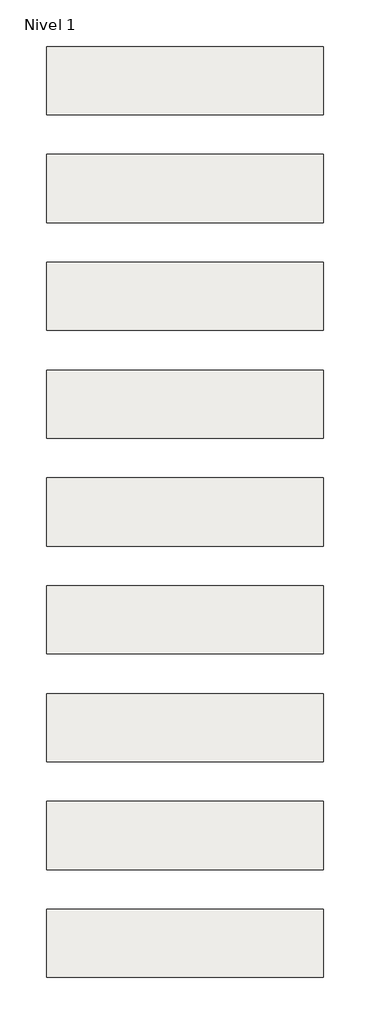
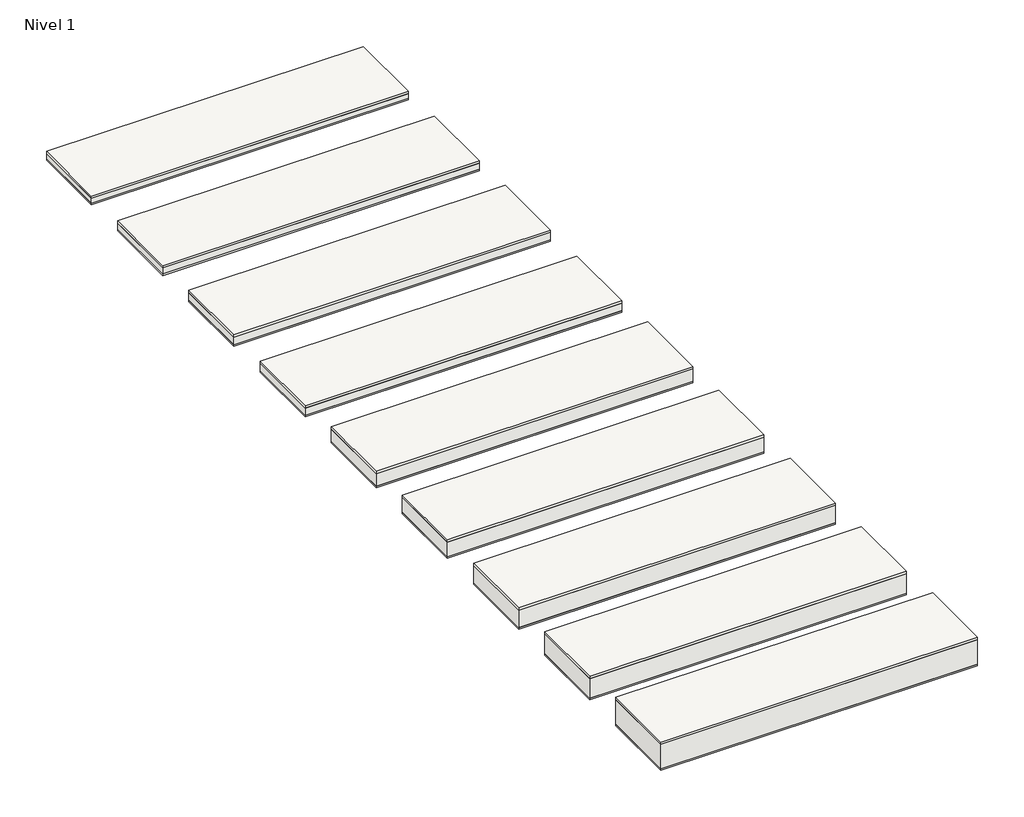
# One storey: 9 roofs.
"""IFC4 building model written with IfcOpenShell, lengths in millimetres."""

from ifc_helpers import new_model, si_unit, frame, origin, origin_with_axes, place, context, project, spatial, polyline, outline, extrude, element, save

model = new_model("IFC4")

# Units and contexts
model_context = context("Model", 3, world=origin())
ifc_project = project(units=[si_unit("LENGTHUNIT", "METRE", prefix="MILLI")], contexts=[model_context])

# Site, building, storey
site = spatial("IfcSite", under=ifc_project)
building = spatial("IfcBuilding", under=site)
storey = spatial("IfcBuildingStorey", under=building, Name="Nivel 1", Elevation=0.0)

# Roofs
placement = place(None, origin())
element("IfcRoof", 1, at=placement, inside=storey, context=model_context, shape_type="SweptSolid", body=[
    extrude(outline(polyline([(-3824.6699095, -6894.5376473), (-1384.6699095, -6894.5376473), (-1384.6699095, -7494.5376473), (-3824.6699095, -7494.5376473), (-3824.6699095, -6894.5376473)])), frame((0.0, 0.0, 62.5), z_axis=(0.0, 0.0, 1.0), x_axis=(1.0, 0.0, 0.0)), (0.0, 0.0, 1.0), 19.0),
    extrude(outline(polyline([(-3824.6699095, -6894.5376473), (-1384.6699095, -6894.5376473), (-1384.6699095, -7494.5376473), (-3824.6699095, -7494.5376473), (-3824.6699095, -6894.5376473)])), frame((0.0, 0.0, 12.5), z_axis=(0.0, 0.0, 1.0), x_axis=(1.0, 0.0, 0.0)), (0.0, 0.0, 1.0), 50.0),
    extrude(outline(polyline([(-3824.6699095, -6894.5376473), (-1384.6699095, -6894.5376473), (-1384.6699095, -7494.5376473), (-3824.6699095, -7494.5376473), (-3824.6699095, -6894.5376473)])), origin_with_axes(), (0.0, 0.0, 1.0), 12.5),
])
element("IfcRoof", 2, at=placement, inside=storey, context=model_context, shape_type="SweptSolid", body=[
    extrude(outline(polyline([(-3824.6699095, -5944.5376473), (-1384.6699095, -5944.5376473), (-1384.6699095, -6544.5376473), (-3824.6699095, -6544.5376473), (-3824.6699095, -5944.5376473)])), frame((0.0, 0.0, 52.5), z_axis=(0.0, 0.0, 1.0), x_axis=(1.0, 0.0, 0.0)), (0.0, 0.0, 1.0), 19.0),
    extrude(outline(polyline([(-3824.6699095, -5944.5376473), (-1384.6699095, -5944.5376473), (-1384.6699095, -6544.5376473), (-3824.6699095, -6544.5376473), (-3824.6699095, -5944.5376473)])), frame((0.0, 0.0, 12.5), z_axis=(0.0, 0.0, 1.0), x_axis=(1.0, 0.0, 0.0)), (0.0, 0.0, 1.0), 40.0),
    extrude(outline(polyline([(-3824.6699095, -5944.5376473), (-1384.6699095, -5944.5376473), (-1384.6699095, -6544.5376473), (-3824.6699095, -6544.5376473), (-3824.6699095, -5944.5376473)])), origin_with_axes(), (0.0, 0.0, 1.0), 12.5),
])
element("IfcRoof", 3, at=placement, inside=storey, context=model_context, shape_type="SweptSolid", body=[
    extrude(outline(polyline([(-3824.6699095, -7844.5376473), (-1384.6699095, -7844.5376473), (-1384.6699095, -8444.5376473), (-3824.6699095, -8444.5376473), (-3824.6699095, -7844.5376473)])), frame((0.0, 0.0, 72.5), z_axis=(0.0, 0.0, 1.0), x_axis=(1.0, 0.0, 0.0)), (0.0, 0.0, 1.0), 19.0),
    extrude(outline(polyline([(-3824.6699095, -7844.5376473), (-1384.6699095, -7844.5376473), (-1384.6699095, -8444.5376473), (-3824.6699095, -8444.5376473), (-3824.6699095, -7844.5376473)])), frame((0.0, 0.0, 12.5), z_axis=(0.0, 0.0, 1.0), x_axis=(1.0, 0.0, 0.0)), (0.0, 0.0, 1.0), 60.0),
    extrude(outline(polyline([(-3824.6699095, -7844.5376473), (-1384.6699095, -7844.5376473), (-1384.6699095, -8444.5376473), (-3824.6699095, -8444.5376473), (-3824.6699095, -7844.5376473)])), origin_with_axes(), (0.0, 0.0, 1.0), 12.5),
])
element("IfcRoof", 4, at=placement, inside=storey, context=model_context, shape_type="SweptSolid", body=[
    extrude(outline(polyline([(-3824.6699095, -8794.5376473), (-1384.6699095, -8794.5376473), (-1384.6699095, -9394.5376473), (-3824.6699095, -9394.5376473), (-3824.6699095, -8794.5376473)])), frame((0.0, 0.0, 72.5), z_axis=(0.0, 0.0, 1.0), x_axis=(1.0, 0.0, 0.0)), (0.0, 0.0, 1.0), 19.0),
    extrude(outline(polyline([(-3824.6699095, -8794.5376473), (-1384.6699095, -8794.5376473), (-1384.6699095, -9394.5376473), (-3824.6699095, -9394.5376473), (-3824.6699095, -8794.5376473)])), frame((0.0, 0.0, 12.5), z_axis=(0.0, 0.0, 1.0), x_axis=(1.0, 0.0, 0.0)), (0.0, 0.0, 1.0), 60.0),
    extrude(outline(polyline([(-3824.6699095, -8794.5376473), (-1384.6699095, -8794.5376473), (-1384.6699095, -9394.5376473), (-3824.6699095, -9394.5376473), (-3824.6699095, -8794.5376473)])), origin_with_axes(), (0.0, 0.0, 1.0), 12.5),
])
element("IfcRoof", 5, at=placement, inside=storey, context=model_context, shape_type="SweptSolid", body=[
    extrude(outline(polyline([(-3824.6699095, -9744.5376473), (-1384.6699095, -9744.5376473), (-1384.6699095, -10344.5376473), (-3824.6699095, -10344.5376473), (-3824.6699095, -9744.5376473)])), frame((0.0, 0.0, 112.5), z_axis=(0.0, 0.0, 1.0), x_axis=(1.0, 0.0, 0.0)), (0.0, 0.0, 1.0), 19.0),
    extrude(outline(polyline([(-3824.6699095, -9744.5376473), (-1384.6699095, -9744.5376473), (-1384.6699095, -10344.5376473), (-3824.6699095, -10344.5376473), (-3824.6699095, -9744.5376473)])), frame((0.0, 0.0, 12.5), z_axis=(0.0, 0.0, 1.0), x_axis=(1.0, 0.0, 0.0)), (0.0, 0.0, 1.0), 100.0),
    extrude(outline(polyline([(-3824.6699095, -9744.5376473), (-1384.6699095, -9744.5376473), (-1384.6699095, -10344.5376473), (-3824.6699095, -10344.5376473), (-3824.6699095, -9744.5376473)])), origin_with_axes(), (0.0, 0.0, 1.0), 12.5),
])
element("IfcRoof", 6, at=placement, inside=storey, context=model_context, shape_type="SweptSolid", body=[
    extrude(outline(polyline([(-3824.6699095, -10694.5376473), (-1384.6699095, -10694.5376473), (-1384.6699095, -11294.5376473), (-3824.6699095, -11294.5376473), (-3824.6699095, -10694.5376473)])), frame((0.0, 0.0, 132.5), z_axis=(0.0, 0.0, 1.0), x_axis=(1.0, 0.0, 0.0)), (0.0, 0.0, 1.0), 19.0),
    extrude(outline(polyline([(-3824.6699095, -10694.5376473), (-1384.6699095, -10694.5376473), (-1384.6699095, -11294.5376473), (-3824.6699095, -11294.5376473), (-3824.6699095, -10694.5376473)])), frame((0.0, 0.0, 12.5), z_axis=(0.0, 0.0, 1.0), x_axis=(1.0, 0.0, 0.0)), (0.0, 0.0, 1.0), 120.0),
    extrude(outline(polyline([(-3824.6699095, -10694.5376473), (-1384.6699095, -10694.5376473), (-1384.6699095, -11294.5376473), (-3824.6699095, -11294.5376473), (-3824.6699095, -10694.5376473)])), origin_with_axes(), (0.0, 0.0, 1.0), 12.5),
])
element("IfcRoof", 7, at=placement, inside=storey, context=model_context, shape_type="SweptSolid", body=[
    extrude(outline(polyline([(-3824.6699095, -11644.5376473), (-1384.6699095, -11644.5376473), (-1384.6699095, -12244.5376473), (-3824.6699095, -12244.5376473), (-3824.6699095, -11644.5376473)])), frame((0.0, 0.0, 152.5), z_axis=(0.0, 0.0, 1.0), x_axis=(1.0, 0.0, 0.0)), (0.0, 0.0, 1.0), 19.0),
    extrude(outline(polyline([(-3824.6699095, -11644.5376473), (-1384.6699095, -11644.5376473), (-1384.6699095, -12244.5376473), (-3824.6699095, -12244.5376473), (-3824.6699095, -11644.5376473)])), frame((0.0, 0.0, 12.5), z_axis=(0.0, 0.0, 1.0), x_axis=(1.0, 0.0, 0.0)), (0.0, 0.0, 1.0), 140.0),
    extrude(outline(polyline([(-3824.6699095, -11644.5376473), (-1384.6699095, -11644.5376473), (-1384.6699095, -12244.5376473), (-3824.6699095, -12244.5376473), (-3824.6699095, -11644.5376473)])), origin_with_axes(), (0.0, 0.0, 1.0), 12.5),
])
element("IfcRoof", 8, at=placement, inside=storey, context=model_context, shape_type="SweptSolid", body=[
    extrude(outline(polyline([(-3824.6699095, -12594.5376473), (-1384.6699095, -12594.5376473), (-1384.6699095, -13194.5376473), (-3824.6699095, -13194.5376473), (-3824.6699095, -12594.5376473)])), frame((0.0, 0.0, 172.5), z_axis=(0.0, 0.0, 1.0), x_axis=(1.0, 0.0, 0.0)), (0.0, 0.0, 1.0), 19.0),
    extrude(outline(polyline([(-3824.6699095, -12594.5376473), (-1384.6699095, -12594.5376473), (-1384.6699095, -13194.5376473), (-3824.6699095, -13194.5376473), (-3824.6699095, -12594.5376473)])), frame((0.0, 0.0, 12.5), z_axis=(0.0, 0.0, 1.0), x_axis=(1.0, 0.0, 0.0)), (0.0, 0.0, 1.0), 160.0),
    extrude(outline(polyline([(-3824.6699095, -12594.5376473), (-1384.6699095, -12594.5376473), (-1384.6699095, -13194.5376473), (-3824.6699095, -13194.5376473), (-3824.6699095, -12594.5376473)])), origin_with_axes(), (0.0, 0.0, 1.0), 12.5),
])
element("IfcRoof", 9, at=placement, inside=storey, context=model_context, shape_type="SweptSolid", body=[
    extrude(outline(polyline([(-3824.6699095, -13544.5376473), (-1384.6699095, -13544.5376473), (-1384.6699095, -14144.5376473), (-3824.6699095, -14144.5376473), (-3824.6699095, -13544.5376473)])), frame((0.0, 0.0, 212.5), z_axis=(0.0, 0.0, 1.0), x_axis=(1.0, 0.0, 0.0)), (0.0, 0.0, 1.0), 19.0),
    extrude(outline(polyline([(-3824.6699095, -13544.5376473), (-1384.6699095, -13544.5376473), (-1384.6699095, -14144.5376473), (-3824.6699095, -14144.5376473), (-3824.6699095, -13544.5376473)])), frame((0.0, 0.0, 12.5), z_axis=(0.0, 0.0, 1.0), x_axis=(1.0, 0.0, 0.0)), (0.0, 0.0, 1.0), 200.0),
    extrude(outline(polyline([(-3824.6699095, -13544.5376473), (-1384.6699095, -13544.5376473), (-1384.6699095, -14144.5376473), (-3824.6699095, -14144.5376473), (-3824.6699095, -13544.5376473)])), origin_with_axes(), (0.0, 0.0, 1.0), 12.5),
])

save(model, "model.ifc")
